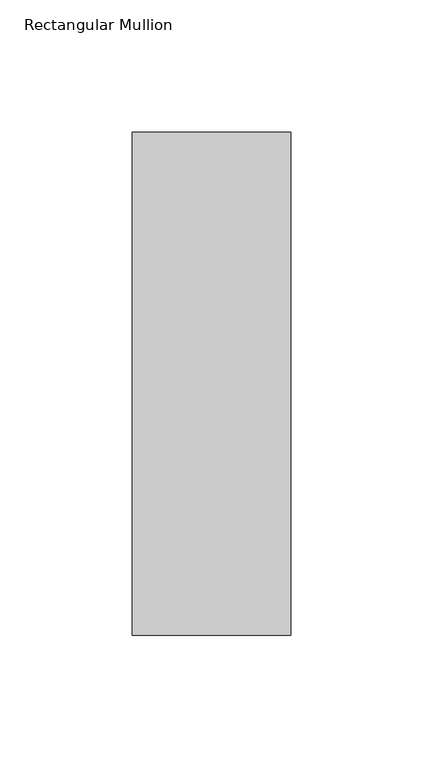
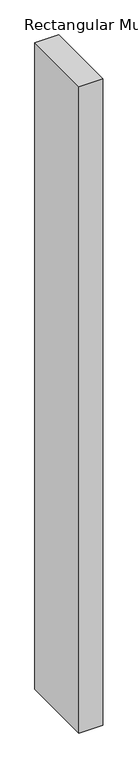
"""IFC4 building model written with IfcOpenShell, lengths in millimetres: member geometry, Rectangular Mullion."""

from ifc_helpers import new_model, si_unit, frame, origin, place, context, project, spatial, polyline, outline, extrude, source, transform, mapped, element, save


def rectangular_mullion_b4da5347(model_context):
    return source(origin(), model_context, "Body", "SweptSolid", [
        extrude(outline(polyline([(30.0, 150.7), (30.0, -39.7), (-30.0, -39.7), (-30.0, 150.7), (30.0, 150.7)])), frame((0.0, 0.0, -1708.8912252), z_axis=(0.0, 0.0, 1.0), x_axis=(1.0, 0.0, 0.0)), (0.0, 0.0, 1.0), 1708.8912252),
    ])


if __name__ == "__main__":
    model = new_model("IFC4")
    model_context = context("Model", 3, world=origin())
    ifc_project = project(units=[si_unit("LENGTHUNIT", "METRE", prefix="MILLI")], contexts=[model_context])
    site = spatial("IfcSite", under=ifc_project)
    building = spatial("IfcBuilding", under=site)
    placement = place(None, origin())
    rectangular_mullion_shape = rectangular_mullion_b4da5347(model_context)
    element("IfcMember", 1, ObjectType="Rectangular Mullion", at=placement, inside=building, context=model_context, shape_type="MappedRepresentation", body=[
        mapped(rectangular_mullion_shape, transform((0.0, 0.0, 0.0), x_axis=(1.0, 0.0, 0.0), y_axis=(0.0, 1.0, 0.0), z_axis=(0.0, 0.0, 1.0))),
    ])
    save(model, "model.ifc")
